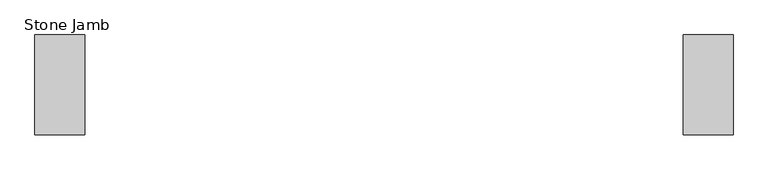
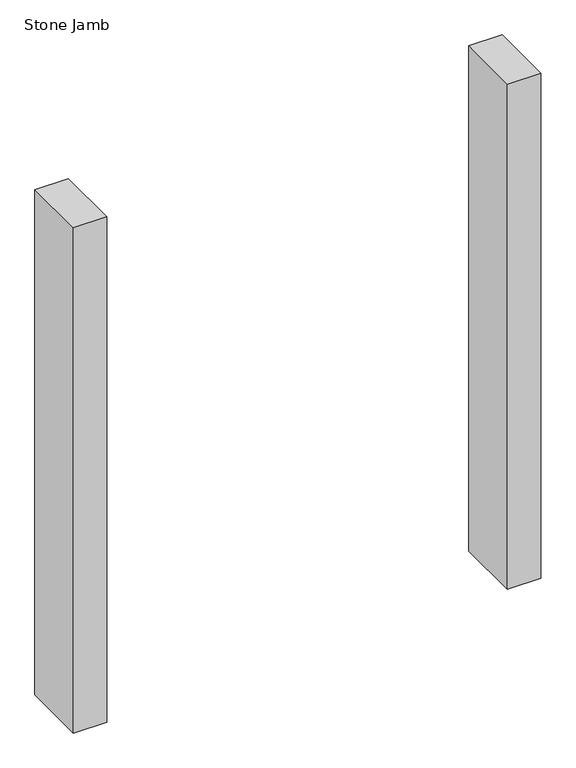
"""IFC4 building model written with IfcOpenShell, lengths in millimetres: proxy geometry, Stone Jamb."""

from ifc_helpers import new_model, si_unit, origin, origin_with_axes, place, context, project, spatial, polyline, outline, extrude, source, transform, mapped, element, save


def stone_jamb_96d3385e(model_context):
    return source(origin(), model_context, "Body", "SweptSolid", [
        extrude(outline(polyline([(-533.4, 188.9125), (-457.2, 188.9125), (-457.2, 36.5125), (-533.4, 36.5125), (-533.4, 188.9125)])), origin_with_axes(), (0.0, 0.0, 1.0), 1219.2),
        extrude(outline(polyline([(457.2, 188.9125), (533.4, 188.9125), (533.4, 36.5125), (457.2, 36.5125), (457.2, 188.9125)])), origin_with_axes(), (0.0, 0.0, 1.0), 1219.2),
    ])


if __name__ == "__main__":
    model = new_model("IFC4")
    model_context = context("Model", 3, world=origin())
    ifc_project = project(units=[si_unit("LENGTHUNIT", "METRE", prefix="MILLI")], contexts=[model_context])
    site = spatial("IfcSite", under=ifc_project)
    building = spatial("IfcBuilding", under=site)
    placement = place(None, origin())
    stone_jamb_shape = stone_jamb_96d3385e(model_context)
    element("IfcBuildingElementProxy", 1, Name="Stone Jamb", ObjectType="Stone Jamb", at=placement, inside=building, context=model_context, shape_type="MappedRepresentation", body=[
        mapped(stone_jamb_shape, transform((0.0, 0.0, 0.0), x_axis=(1.0, 0.0, 0.0), y_axis=(0.0, 1.0, 0.0), z_axis=(0.0, 0.0, 1.0))),
    ])
    save(model, "model.ifc")
